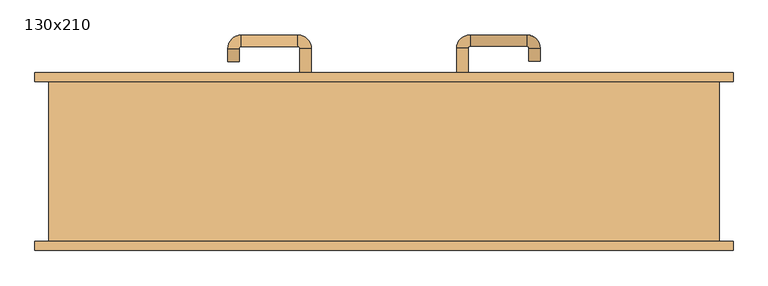
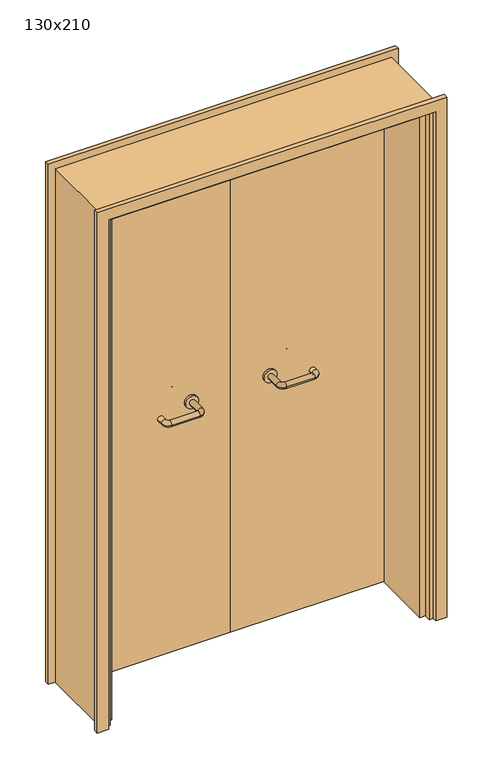
"""IFC4 building model written with IfcOpenShell, lengths in millimetres: door geometry, 130x210."""

from ifc_helpers import new_model, si_unit, point, frame, frame_2d, origin, place, context, project, spatial, polyline, circle_curve, ellipse_curve, trimmed, segment, composite_curve, outline, extrude, faceted_brep, source, transform, mapped, element, save
from ifc_brep_helpers import plane_surface, cylinder_surface, revolved_surface, advanced_brep


def door_130x210_3588024c(model_context):
    return source(origin(), model_context, "Body", "SolidModel", [
        faceted_brep([(-597.0, 108.0, 0.0), (-597.0, -130.0, 0.0), (-618.0, -130.0, 0.0), (-618.0, 108.0, 0.0), (-597.0, 108.0, 2047.0), (-597.0, -130.0, 2047.0), (-618.0, -130.0, 2068.0), (-618.0, 108.0, 2068.0), (597.0, 108.0, 0.0), (618.0, 108.0, 0.0), (618.0, -130.0, 0.0), (597.0, -130.0, 0.0), (597.0, 108.0, 2047.0), (618.0, 108.0, 2068.0), (618.0, -130.0, 2068.0), (597.0, -130.0, 2047.0)], [[[0, 1, 2, 3]], [[1, 0, 4, 5]], [[2, 1, 5, 6]], [[3, 2, 6, 7]], [[0, 3, 7, 4]], [[8, 9, 10, 11]], [[12, 13, 9, 8]], [[13, 14, 10, 9]], [[14, 15, 11, 10]], [[15, 12, 8, 11]], [[5, 4, 12, 15]], [[6, 5, 15, 14]], [[7, 6, 14, 13]], [[4, 7, 13, 12]]]),
        extrude(outline(polyline([(2127.0, 677.0), (2127.0, -677.0), (0.0, -677.0), (0.0, -633.0), (2083.0, -633.0), (2083.0, 633.0), (0.0, 633.0), (0.0, 677.0), (2127.0, 677.0)])), frame((0.0, 155.0, 0.0), z_axis=(0.0, 1.0, 0.0), x_axis=(0.0, 0.0, 1.0)), (0.0, 0.0, 1.0), 18.0),
        extrude(outline(polyline([(2127.0, -677.0), (0.0, -677.0), (0.0, -633.0), (2083.0, -633.0), (2083.0, 633.0), (0.0, 633.0), (0.0, 677.0), (2127.0, 677.0), (2127.0, -677.0)])), frame((0.0, -173.0, 0.0), z_axis=(0.0, 1.0, 0.0), x_axis=(0.0, 0.0, 1.0)), (0.0, 0.0, 1.0), 18.0),
        extrude(outline(polyline([(2100.0, -650.0), (0.0, -650.0), (0.0, -618.0), (2068.0, -618.0), (2068.0, 618.0), (0.0, 618.0), (0.0, 650.0), (2100.0, 650.0), (2100.0, -650.0)])), frame((0.0, -155.0, 0.0), z_axis=(0.0, 1.0, 0.0), x_axis=(0.0, 0.0, 1.0)), (0.0, 0.0, 1.0), 310.0),
        extrude(outline(polyline([(1.0739506, 111.0), (-615.0, 111.0), (-615.0, 155.0), (1.0739506, 155.0), (1.0739506, 111.0)])), frame((0.0, 0.0, 1.753223), z_axis=(0.0, 0.0, 1.0), x_axis=(1.0, 0.0, 0.0)), (0.0, 0.0, 1.0), 2057.246777),
        extrude(outline(polyline([(615.0, 111.0), (1.0739506, 111.0), (1.0739506, 155.0), (615.0, 155.0), (615.0, 111.0)])), frame((0.0, 0.0, 1.753223), z_axis=(0.0, 0.0, 1.0), x_axis=(1.0, 0.0, 0.0)), (0.0, 0.0, 1.0), 2066.246777),
        extrude(outline(polyline([(2100.0, -650.0), (0.0, -650.0), (0.0, -618.0), (2068.0, -618.0), (2068.0, 618.0), (0.0, 618.0), (0.0, 650.0), (2100.0, 650.0), (2100.0, -650.0)])), frame((0.0, -155.0, 0.0), z_axis=(0.0, 1.0, 0.0), x_axis=(0.0, 0.0, 1.0)), (0.0, 0.0, 1.0), 310.0),
        advanced_brep(
        [(140.99898, 101.0, 1003.0), (162.99898, 101.0, 1003.0), (140.99898, 45.6474631, 1003.0), (162.99898, 45.6474631, 1003.0), (166.99898, 41.6474631, 1003.0), (166.99898, 19.6474631, 1003.0), (276.99898, 19.6474631, 1003.0), (276.99898, 41.6474631, 1003.0), (280.99898, 45.6474631, 1003.0), (302.99898, 45.6474631, 1003.0), (302.99898, 63.0, 1003.0), (280.99898, 63.0, 1003.0)],
        [
            (0, 1, circle_curve(frame((151.99898, 101.0, 1003.0), z_axis=(0.0, 1.0, 0.0), x_axis=(1.0, 0.0, 0.0)), 11.0)),
            (1, 0, circle_curve(frame((151.99898, 101.0, 1003.0), z_axis=(0.0, 1.0, 0.0), x_axis=(1.0, 0.0, 0.0)), 11.0)),
            (0, 2),
            (2, 3, circle_curve(frame((151.99898, 45.6474631, 1003.0), z_axis=(0.0, 1.0, 0.0), x_axis=(1.0, 0.0, 0.0)), 11.0)),
            (3, 1),
            (3, 2, circle_curve(frame((151.99898, 45.6474631, 1003.0), z_axis=(0.0, 1.0, 0.0), x_axis=(1.0, 0.0, 0.0)), 11.0)),
            (4, 3, circle_curve(frame((166.99898, 45.6474631, 1003.0), z_axis=(0.0, 0.0, -1.0), x_axis=(-1.0, 0.0, 0.0)), 4.0)),
            (2, 5, circle_curve(frame((166.99898, 45.6474631, 1003.0), z_axis=(0.0, 0.0, 1.0), x_axis=(-1.0, 0.0, 0.0)), 26.0)),
            (5, 4, circle_curve(frame((166.99898, 30.6474631, 1003.0), z_axis=(-1.0, 0.0, 0.0), x_axis=(0.0, 1.0, 0.0)), 11.0)),
            (4, 5, circle_curve(frame((166.99898, 30.6474631, 1003.0), z_axis=(-1.0, 0.0, 0.0), x_axis=(0.0, 1.0, 0.0)), 11.0)),
            (5, 6),
            (6, 7, circle_curve(frame((276.99898, 30.6474631, 1003.0), z_axis=(-1.0, 0.0, 0.0), x_axis=(0.0, 1.0, 0.0)), 11.0)),
            (7, 4),
            (7, 6, circle_curve(frame((276.99898, 30.6474631, 1003.0), z_axis=(-1.0, 0.0, 0.0), x_axis=(0.0, 1.0, 0.0)), 11.0)),
            (8, 7, circle_curve(frame((276.99898, 45.6474631, 1003.0), z_axis=(0.0, 0.0, -1.0), x_axis=(0.0, -1.0, 0.0)), 4.0)),
            (6, 9, circle_curve(frame((276.99898, 45.6474631, 1003.0), z_axis=(0.0, 0.0, 1.0), x_axis=(0.0, -1.0, 0.0)), 26.0)),
            (9, 8, circle_curve(frame((291.99898, 45.6474631, 1003.0), z_axis=(0.0, -1.0, 0.0), x_axis=(-1.0, 0.0, 0.0)), 11.0)),
            (8, 9, circle_curve(frame((291.99898, 45.6474631, 1003.0), z_axis=(0.0, -1.0, 0.0), x_axis=(-1.0, 0.0, 0.0)), 11.0)),
            (10, 11, circle_curve(frame((291.99898, 63.0, 1003.0), z_axis=(0.0, 1.0, 0.0), x_axis=(-1.0, 0.0, 0.0)), 11.0)),
            (11, 10, circle_curve(frame((291.99898, 63.0, 1003.0), z_axis=(0.0, 1.0, 0.0), x_axis=(-1.0, 0.0, 0.0)), 11.0)),
            (9, 10),
            (11, 8),
        ],
        [
            plane_surface(frame((140.99898, 101.0, 1003.0), z_axis=(0.0, 1.0, 0.0), x_axis=(0.0, 0.0, -1.0))),
            cylinder_surface(frame((151.99898, 101.0, 1003.0), z_axis=(0.0, 1.0, 0.0), x_axis=(1.0, 0.0, 0.0)), 11.0),
            revolved_surface(trimmed(ellipse_curve(frame((151.99898, 45.6474631, 1003.0), z_axis=(0.0, 1.0, 0.0), x_axis=(1.0, 0.0, 0.0)), 11.0, 11.0), [point((140.99898, 45.6474631, 1003.0))], [point((162.99898, 45.6474631, 1003.0))], True, "CARTESIAN"), (166.99898, 45.6474631, 1003.0), (0.0, 0.0, 1.0)),
            revolved_surface(trimmed(ellipse_curve(frame((151.99898, 45.6474631, 1003.0), z_axis=(0.0, 1.0, 0.0), x_axis=(1.0, 0.0, 0.0)), 11.0, 11.0), [point((162.99898, 45.6474631, 1003.0))], [point((140.99898, 45.6474631, 1003.0))], True, "CARTESIAN"), (166.99898, 45.6474631, 1003.0), (0.0, 0.0, 1.0)),
            cylinder_surface(frame((166.99898, 30.6474631, 1003.0), z_axis=(-1.0, 0.0, 0.0), x_axis=(0.0, 1.0, 0.0)), 11.0),
            revolved_surface(trimmed(ellipse_curve(frame((276.99898, 30.6474631, 1003.0), z_axis=(-1.0, 0.0, 0.0), x_axis=(0.0, 1.0, 0.0)), 11.0, 11.0), [point((276.99898, 19.6474631, 1003.0))], [point((276.99898, 41.6474631, 1003.0))], True, "CARTESIAN"), (276.99898, 45.6474631, 1003.0), (0.0, 0.0, 1.0)),
            revolved_surface(trimmed(ellipse_curve(frame((276.99898, 30.6474631, 1003.0), z_axis=(-1.0, 0.0, 0.0), x_axis=(0.0, 1.0, 0.0)), 11.0, 11.0), [point((276.99898, 41.6474631, 1003.0))], [point((276.99898, 19.6474631, 1003.0))], True, "CARTESIAN"), (276.99898, 45.6474631, 1003.0), (0.0, 0.0, 1.0)),
            plane_surface(frame((280.99898, 63.0, 1003.0), z_axis=(0.0, 1.0, 0.0), x_axis=(0.0, 0.0, 1.0))),
            cylinder_surface(frame((291.99898, 45.6474631, 1003.0), z_axis=(0.0, -1.0, 0.0), x_axis=(-1.0, 0.0, 0.0)), 11.0),
        ],
        [
            (0, [[1, 2]]),
            (1, [[-1, 3, 4, 5]]),
            (1, [[-2, -5, 6, -3]]),
            (2, [[7, -4, 8, 9]]),
            (3, [[-8, -6, -7, 10]]),
            (4, [[-9, 11, 12, 13]]),
            (4, [[-10, -13, 14, -11]]),
            (5, [[15, -12, 16, 17]]),
            (6, [[-16, -14, -15, 18]]),
            (7, [[19, 20]]),
            (8, [[-17, 21, -20, 22]]),
            (8, [[-18, -22, -19, -21]]),
        ],
    ),
        extrude(outline(composite_curve([segment(trimmed(circle_curve(frame_2d((1003.0, 151.99898)), 25.0), [point((1003.0, 126.99898))], [point((1003.0, 176.99898))], False, "CARTESIAN"), True, "CONTINUOUS"), segment(trimmed(circle_curve(frame_2d((1003.0, 151.99898)), 25.0), [point((1003.0, 176.99898))], [point((1003.0, 126.99898))], False, "CARTESIAN"), True, "CONTINUOUS")], self_intersect=False)), frame((0.0, 101.0, 0.0), z_axis=(0.0, 1.0, 0.0), x_axis=(0.0, 0.0, 1.0)), (0.0, 0.0, 1.0), 10.0),
        advanced_brep(
        [(162.99898, 165.0, 1003.0), (140.99898, 165.0, 1003.0), (162.99898, 220.0, 1003.0), (140.99898, 220.0, 1003.0), (166.99898, 246.0, 1003.0), (166.99898, 224.0, 1003.0), (276.99898, 224.0, 1003.0), (276.99898, 246.0, 1003.0), (302.99898, 220.0, 1003.0), (280.99898, 220.0, 1003.0), (280.99898, 195.0, 1003.0), (302.99898, 195.0, 1003.0)],
        [
            (0, 1, circle_curve(frame((151.99898, 165.0, 1003.0), z_axis=(0.0, -1.0, 0.0), x_axis=(-1.0, 0.0, 0.0)), 11.0)),
            (1, 0, circle_curve(frame((151.99898, 165.0, 1003.0), z_axis=(0.0, -1.0, 0.0), x_axis=(-1.0, 0.0, 0.0)), 11.0)),
            (0, 2),
            (2, 3, circle_curve(frame((151.99898, 220.0, 1003.0), z_axis=(0.0, -1.0, 0.0), x_axis=(-1.0, 0.0, 0.0)), 11.0)),
            (3, 1),
            (3, 2, circle_curve(frame((151.99898, 220.0, 1003.0), z_axis=(0.0, -1.0, 0.0), x_axis=(-1.0, 0.0, 0.0)), 11.0)),
            (4, 3, circle_curve(frame((166.99898, 220.0, 1003.0), z_axis=(0.0, 0.0, 1.0), x_axis=(-1.0, 0.0, 0.0)), 26.0)),
            (2, 5, circle_curve(frame((166.99898, 220.0, 1003.0), z_axis=(0.0, 0.0, -1.0), x_axis=(-1.0, 0.0, 0.0)), 4.0)),
            (5, 4, circle_curve(frame((166.99898, 235.0, 1003.0), z_axis=(-1.0, 0.0, 0.0), x_axis=(0.0, 1.0, 0.0)), 11.0)),
            (4, 5, circle_curve(frame((166.99898, 235.0, 1003.0), z_axis=(-1.0, 0.0, 0.0), x_axis=(0.0, 1.0, 0.0)), 11.0)),
            (5, 6),
            (6, 7, circle_curve(frame((276.99898, 235.0, 1003.0), z_axis=(-1.0, 0.0, 0.0), x_axis=(0.0, 1.0, 0.0)), 11.0)),
            (7, 4),
            (7, 6, circle_curve(frame((276.99898, 235.0, 1003.0), z_axis=(-1.0, 0.0, 0.0), x_axis=(0.0, 1.0, 0.0)), 11.0)),
            (8, 7, circle_curve(frame((276.99898, 220.0, 1003.0), z_axis=(0.0, 0.0, 1.0), x_axis=(0.0, 1.0, 0.0)), 26.0)),
            (6, 9, circle_curve(frame((276.99898, 220.0, 1003.0), z_axis=(0.0, 0.0, -1.0), x_axis=(0.0, 1.0, 0.0)), 4.0)),
            (9, 8, circle_curve(frame((291.99898, 220.0, 1003.0), z_axis=(0.0, 1.0, 0.0), x_axis=(1.0, 0.0, 0.0)), 11.0)),
            (8, 9, circle_curve(frame((291.99898, 220.0, 1003.0), z_axis=(0.0, 1.0, 0.0), x_axis=(1.0, 0.0, 0.0)), 11.0)),
            (10, 11, circle_curve(frame((291.99898, 195.0, 1003.0), z_axis=(0.0, -1.0, 0.0), x_axis=(1.0, 0.0, 0.0)), 11.0)),
            (11, 10, circle_curve(frame((291.99898, 195.0, 1003.0), z_axis=(0.0, -1.0, 0.0), x_axis=(1.0, 0.0, 0.0)), 11.0)),
            (9, 10),
            (11, 8),
        ],
        [
            plane_surface(frame((140.99898, 165.0, 1003.0), z_axis=(0.0, -1.0, 0.0), x_axis=(0.0, 0.0, 1.0))),
            cylinder_surface(frame((151.99898, 165.0, 1003.0), z_axis=(0.0, -1.0, 0.0), x_axis=(-1.0, 0.0, 0.0)), 11.0),
            revolved_surface(trimmed(ellipse_curve(frame((151.99898, 220.0, 1003.0), z_axis=(0.0, -1.0, 0.0), x_axis=(-1.0, 0.0, 0.0)), 11.0, 11.0), [point((162.99898, 220.0, 1003.0))], [point((140.99898, 220.0, 1003.0))], True, "CARTESIAN"), (166.99898, 220.0, 1003.0), (0.0, 0.0, -1.0)),
            revolved_surface(trimmed(ellipse_curve(frame((151.99898, 220.0, 1003.0), z_axis=(0.0, -1.0, 0.0), x_axis=(-1.0, 0.0, 0.0)), 11.0, 11.0), [point((140.99898, 220.0, 1003.0))], [point((162.99898, 220.0, 1003.0))], True, "CARTESIAN"), (166.99898, 220.0, 1003.0), (0.0, 0.0, -1.0)),
            cylinder_surface(frame((166.99898, 235.0, 1003.0), z_axis=(-1.0, 0.0, 0.0), x_axis=(0.0, 1.0, 0.0)), 11.0),
            revolved_surface(trimmed(ellipse_curve(frame((276.99898, 235.0, 1003.0), z_axis=(-1.0, 0.0, 0.0), x_axis=(0.0, 1.0, 0.0)), 11.0, 11.0), [point((276.99898, 224.0, 1003.0))], [point((276.99898, 246.0, 1003.0))], True, "CARTESIAN"), (276.99898, 220.0, 1003.0), (0.0, 0.0, -1.0)),
            revolved_surface(trimmed(ellipse_curve(frame((276.99898, 235.0, 1003.0), z_axis=(-1.0, 0.0, 0.0), x_axis=(0.0, 1.0, 0.0)), 11.0, 11.0), [point((276.99898, 246.0, 1003.0))], [point((276.99898, 224.0, 1003.0))], True, "CARTESIAN"), (276.99898, 220.0, 1003.0), (0.0, 0.0, -1.0)),
            plane_surface(frame((280.99898, 195.0, 1003.0), z_axis=(0.0, -1.0, 0.0), x_axis=(0.0, 0.0, -1.0))),
            cylinder_surface(frame((291.99898, 220.0, 1003.0), z_axis=(0.0, 1.0, 0.0), x_axis=(1.0, 0.0, 0.0)), 11.0),
        ],
        [
            (0, [[1, 2]]),
            (1, [[-1, 3, 4, 5]]),
            (1, [[-2, -5, 6, -3]]),
            (2, [[7, -4, 8, 9]]),
            (3, [[-8, -6, -7, 10]]),
            (4, [[-9, 11, 12, 13]]),
            (4, [[-10, -13, 14, -11]]),
            (5, [[15, -12, 16, 17]]),
            (6, [[-16, -14, -15, 18]]),
            (7, [[19, 20]]),
            (8, [[-17, 21, -20, 22]]),
            (8, [[-18, -22, -19, -21]]),
        ],
    ),
        extrude(outline(composite_curve([segment(trimmed(circle_curve(frame_2d((1003.0, 151.99898)), 25.0), [point((1003.0, 176.99898))], [point((1003.0, 126.99898))], False, "CARTESIAN"), True, "CONTINUOUS"), segment(trimmed(circle_curve(frame_2d((1003.0, 151.99898)), 25.0), [point((1003.0, 126.99898))], [point((1003.0, 176.99898))], False, "CARTESIAN"), True, "CONTINUOUS")], self_intersect=False)), frame((0.0, 155.0, 0.0), z_axis=(0.0, 1.0, 0.0), x_axis=(0.0, 0.0, 1.0)), (0.0, 0.0, 1.0), 10.0),
        advanced_brep(
        [(-162.99898, 100.6886121, 1003.0), (-140.99898, 100.6886121, 1003.0), (-162.99898, 45.2779553, 1003.0), (-140.99898, 45.2779553, 1003.0), (-166.99898, 19.2779553, 1003.0), (-166.99898, 41.2779553, 1003.0), (-276.99898, 41.2779553, 1003.0), (-276.99898, 19.2779553, 1003.0), (-302.99898, 45.2779553, 1003.0), (-280.99898, 45.2779553, 1003.0), (-280.99898, 70.2779553, 1003.0), (-302.99898, 70.2779553, 1003.0)],
        [
            (0, 1, circle_curve(frame((-151.99898, 100.6886121, 1003.0), z_axis=(0.0, 1.0, 0.0), x_axis=(1.0, 0.0, 0.0)), 11.0)),
            (1, 0, circle_curve(frame((-151.99898, 100.6886121, 1003.0), z_axis=(0.0, 1.0, 0.0), x_axis=(1.0, 0.0, 0.0)), 11.0)),
            (0, 2),
            (2, 3, circle_curve(frame((-151.99898, 45.2779553, 1003.0), z_axis=(0.0, 1.0, 0.0), x_axis=(1.0, 0.0, 0.0)), 11.0)),
            (3, 1),
            (3, 2, circle_curve(frame((-151.99898, 45.2779553, 1003.0), z_axis=(0.0, 1.0, 0.0), x_axis=(1.0, 0.0, 0.0)), 11.0)),
            (4, 3, circle_curve(frame((-166.99898, 45.2779553, 1003.0), z_axis=(0.0, 0.0, 1.0), x_axis=(1.0, 0.0, 0.0)), 26.0)),
            (2, 5, circle_curve(frame((-166.99898, 45.2779553, 1003.0), z_axis=(0.0, 0.0, -1.0), x_axis=(1.0, 0.0, 0.0)), 4.0)),
            (5, 4, circle_curve(frame((-166.99898, 30.2779553, 1003.0), z_axis=(1.0, 0.0, 0.0), x_axis=(0.0, -1.0, 0.0)), 11.0)),
            (4, 5, circle_curve(frame((-166.99898, 30.2779553, 1003.0), z_axis=(1.0, 0.0, 0.0), x_axis=(0.0, -1.0, 0.0)), 11.0)),
            (5, 6),
            (6, 7, circle_curve(frame((-276.99898, 30.2779553, 1003.0), z_axis=(1.0, 0.0, 0.0), x_axis=(0.0, -1.0, 0.0)), 11.0)),
            (7, 4),
            (7, 6, circle_curve(frame((-276.99898, 30.2779553, 1003.0), z_axis=(1.0, 0.0, 0.0), x_axis=(0.0, -1.0, 0.0)), 11.0)),
            (8, 7, circle_curve(frame((-276.99898, 45.2779553, 1003.0), z_axis=(0.0, 0.0, 1.0), x_axis=(0.0, -1.0, 0.0)), 26.0)),
            (6, 9, circle_curve(frame((-276.99898, 45.2779553, 1003.0), z_axis=(0.0, 0.0, -1.0), x_axis=(0.0, -1.0, 0.0)), 4.0)),
            (9, 8, circle_curve(frame((-291.99898, 45.2779553, 1003.0), z_axis=(0.0, -1.0, 0.0), x_axis=(-1.0, 0.0, 0.0)), 11.0)),
            (8, 9, circle_curve(frame((-291.99898, 45.2779553, 1003.0), z_axis=(0.0, -1.0, 0.0), x_axis=(-1.0, 0.0, 0.0)), 11.0)),
            (10, 11, circle_curve(frame((-291.99898, 70.2779553, 1003.0), z_axis=(0.0, 1.0, 0.0), x_axis=(-1.0, 0.0, 0.0)), 11.0)),
            (11, 10, circle_curve(frame((-291.99898, 70.2779553, 1003.0), z_axis=(0.0, 1.0, 0.0), x_axis=(-1.0, 0.0, 0.0)), 11.0)),
            (9, 10),
            (11, 8),
        ],
        [
            plane_surface(frame((-162.99898, 100.6886121, 1003.0), z_axis=(0.0, 1.0, 0.0), x_axis=(0.0, 0.0, -1.0))),
            cylinder_surface(frame((-151.99898, 100.6886121, 1003.0), z_axis=(0.0, 1.0, 0.0), x_axis=(1.0, 0.0, 0.0)), 11.0),
            revolved_surface(trimmed(ellipse_curve(frame((-151.99898, 45.2779553, 1003.0), z_axis=(0.0, 1.0, 0.0), x_axis=(1.0, 0.0, 0.0)), 11.0, 11.0), [point((-162.99898, 45.2779553, 1003.0))], [point((-140.99898, 45.2779553, 1003.0))], True, "CARTESIAN"), (-166.99898, 45.2779553, 1003.0), (0.0, 0.0, -1.0)),
            revolved_surface(trimmed(ellipse_curve(frame((-151.99898, 45.2779553, 1003.0), z_axis=(0.0, 1.0, 0.0), x_axis=(1.0, 0.0, 0.0)), 11.0, 11.0), [point((-140.99898, 45.2779553, 1003.0))], [point((-162.99898, 45.2779553, 1003.0))], True, "CARTESIAN"), (-166.99898, 45.2779553, 1003.0), (0.0, 0.0, -1.0)),
            cylinder_surface(frame((-166.99898, 30.2779553, 1003.0), z_axis=(1.0, 0.0, 0.0), x_axis=(0.0, -1.0, 0.0)), 11.0),
            revolved_surface(trimmed(ellipse_curve(frame((-276.99898, 30.2779553, 1003.0), z_axis=(1.0, 0.0, 0.0), x_axis=(0.0, -1.0, 0.0)), 11.0, 11.0), [point((-276.99898, 41.2779553, 1003.0))], [point((-276.99898, 19.2779553, 1003.0))], True, "CARTESIAN"), (-276.99898, 45.2779553, 1003.0), (0.0, 0.0, -1.0)),
            revolved_surface(trimmed(ellipse_curve(frame((-276.99898, 30.2779553, 1003.0), z_axis=(1.0, 0.0, 0.0), x_axis=(0.0, -1.0, 0.0)), 11.0, 11.0), [point((-276.99898, 19.2779553, 1003.0))], [point((-276.99898, 41.2779553, 1003.0))], True, "CARTESIAN"), (-276.99898, 45.2779553, 1003.0), (0.0, 0.0, -1.0)),
            plane_surface(frame((-302.99898, 70.2779553, 1003.0), z_axis=(0.0, 1.0, 0.0), x_axis=(0.0, 0.0, 1.0))),
            cylinder_surface(frame((-291.99898, 45.2779553, 1003.0), z_axis=(0.0, -1.0, 0.0), x_axis=(-1.0, 0.0, 0.0)), 11.0),
        ],
        [
            (0, [[1, 2]]),
            (1, [[-1, 3, 4, 5]]),
            (1, [[-2, -5, 6, -3]]),
            (2, [[7, -4, 8, 9]]),
            (3, [[-8, -6, -7, 10]]),
            (4, [[-9, 11, 12, 13]]),
            (4, [[-10, -13, 14, -11]]),
            (5, [[15, -12, 16, 17]]),
            (6, [[-16, -14, -15, 18]]),
            (7, [[19, 20]]),
            (8, [[-17, 21, -20, 22]]),
            (8, [[-18, -22, -19, -21]]),
        ],
    ),
        extrude(outline(composite_curve([segment(trimmed(circle_curve(frame_2d((1003.0, -151.99898)), 25.0), [point((1003.0, -176.99898))], [point((1003.0, -126.99898))], False, "CARTESIAN"), True, "CONTINUOUS"), segment(trimmed(circle_curve(frame_2d((1003.0, -151.99898)), 25.0), [point((1003.0, -126.99898))], [point((1003.0, -176.99898))], False, "CARTESIAN"), True, "CONTINUOUS")], self_intersect=False)), frame((0.0, 100.6886121, 0.0), z_axis=(0.0, 1.0, 0.0), x_axis=(0.0, 0.0, 1.0)), (0.0, 0.0, 1.0), 10.3113879),
        advanced_brep(
        [(-140.99898, 164.5143417, 1003.0), (-162.99898, 164.5143417, 1003.0), (-140.99898, 219.6104656, 1003.0), (-162.99898, 219.6104656, 1003.0), (-166.99898, 223.6104656, 1003.0), (-166.99898, 245.6104656, 1003.0), (-276.99898, 245.6104656, 1003.0), (-276.99898, 223.6104656, 1003.0), (-280.99898, 219.6104656, 1003.0), (-302.99898, 219.6104656, 1003.0), (-302.99898, 194.6104656, 1003.0), (-280.99898, 194.6104656, 1003.0)],
        [
            (0, 1, circle_curve(frame((-151.99898, 164.5143417, 1003.0), z_axis=(0.0, -1.0, 0.0), x_axis=(-1.0, 0.0, 0.0)), 11.0)),
            (1, 0, circle_curve(frame((-151.99898, 164.5143417, 1003.0), z_axis=(0.0, -1.0, 0.0), x_axis=(-1.0, 0.0, 0.0)), 11.0)),
            (0, 2),
            (2, 3, circle_curve(frame((-151.99898, 219.6104656, 1003.0), z_axis=(0.0, -1.0, 0.0), x_axis=(-1.0, 0.0, 0.0)), 11.0)),
            (3, 1),
            (3, 2, circle_curve(frame((-151.99898, 219.6104656, 1003.0), z_axis=(0.0, -1.0, 0.0), x_axis=(-1.0, 0.0, 0.0)), 11.0)),
            (4, 3, circle_curve(frame((-166.99898, 219.6104656, 1003.0), z_axis=(0.0, 0.0, -1.0), x_axis=(1.0, 0.0, 0.0)), 4.0)),
            (2, 5, circle_curve(frame((-166.99898, 219.6104656, 1003.0), z_axis=(0.0, 0.0, 1.0), x_axis=(1.0, 0.0, 0.0)), 26.0)),
            (5, 4, circle_curve(frame((-166.99898, 234.6104656, 1003.0), z_axis=(1.0, 0.0, 0.0), x_axis=(0.0, -1.0, 0.0)), 11.0)),
            (4, 5, circle_curve(frame((-166.99898, 234.6104656, 1003.0), z_axis=(1.0, 0.0, 0.0), x_axis=(0.0, -1.0, 0.0)), 11.0)),
            (5, 6),
            (6, 7, circle_curve(frame((-276.99898, 234.6104656, 1003.0), z_axis=(1.0, 0.0, 0.0), x_axis=(0.0, -1.0, 0.0)), 11.0)),
            (7, 4),
            (7, 6, circle_curve(frame((-276.99898, 234.6104656, 1003.0), z_axis=(1.0, 0.0, 0.0), x_axis=(0.0, -1.0, 0.0)), 11.0)),
            (8, 7, circle_curve(frame((-276.99898, 219.6104656, 1003.0), z_axis=(0.0, 0.0, -1.0), x_axis=(0.0, 1.0, 0.0)), 4.0)),
            (6, 9, circle_curve(frame((-276.99898, 219.6104656, 1003.0), z_axis=(0.0, 0.0, 1.0), x_axis=(0.0, 1.0, 0.0)), 26.0)),
            (9, 8, circle_curve(frame((-291.99898, 219.6104656, 1003.0), z_axis=(0.0, 1.0, 0.0), x_axis=(1.0, 0.0, 0.0)), 11.0)),
            (8, 9, circle_curve(frame((-291.99898, 219.6104656, 1003.0), z_axis=(0.0, 1.0, 0.0), x_axis=(1.0, 0.0, 0.0)), 11.0)),
            (10, 11, circle_curve(frame((-291.99898, 194.6104656, 1003.0), z_axis=(0.0, -1.0, 0.0), x_axis=(1.0, 0.0, 0.0)), 11.0)),
            (11, 10, circle_curve(frame((-291.99898, 194.6104656, 1003.0), z_axis=(0.0, -1.0, 0.0), x_axis=(1.0, 0.0, 0.0)), 11.0)),
            (9, 10),
            (11, 8),
        ],
        [
            plane_surface(frame((-162.99898, 164.5143417, 1003.0), z_axis=(0.0, -1.0, 0.0), x_axis=(0.0, 0.0, 1.0))),
            cylinder_surface(frame((-151.99898, 164.5143417, 1003.0), z_axis=(0.0, -1.0, 0.0), x_axis=(-1.0, 0.0, 0.0)), 11.0),
            revolved_surface(trimmed(ellipse_curve(frame((-151.99898, 219.6104656, 1003.0), z_axis=(0.0, -1.0, 0.0), x_axis=(-1.0, 0.0, 0.0)), 11.0, 11.0), [point((-140.99898, 219.6104656, 1003.0))], [point((-162.99898, 219.6104656, 1003.0))], True, "CARTESIAN"), (-166.99898, 219.6104656, 1003.0), (0.0, 0.0, 1.0)),
            revolved_surface(trimmed(ellipse_curve(frame((-151.99898, 219.6104656, 1003.0), z_axis=(0.0, -1.0, 0.0), x_axis=(-1.0, 0.0, 0.0)), 11.0, 11.0), [point((-162.99898, 219.6104656, 1003.0))], [point((-140.99898, 219.6104656, 1003.0))], True, "CARTESIAN"), (-166.99898, 219.6104656, 1003.0), (0.0, 0.0, 1.0)),
            cylinder_surface(frame((-166.99898, 234.6104656, 1003.0), z_axis=(1.0, 0.0, 0.0), x_axis=(0.0, -1.0, 0.0)), 11.0),
            revolved_surface(trimmed(ellipse_curve(frame((-276.99898, 234.6104656, 1003.0), z_axis=(1.0, 0.0, 0.0), x_axis=(0.0, -1.0, 0.0)), 11.0, 11.0), [point((-276.99898, 245.6104656, 1003.0))], [point((-276.99898, 223.6104656, 1003.0))], True, "CARTESIAN"), (-276.99898, 219.6104656, 1003.0), (0.0, 0.0, 1.0)),
            revolved_surface(trimmed(ellipse_curve(frame((-276.99898, 234.6104656, 1003.0), z_axis=(1.0, 0.0, 0.0), x_axis=(0.0, -1.0, 0.0)), 11.0, 11.0), [point((-276.99898, 223.6104656, 1003.0))], [point((-276.99898, 245.6104656, 1003.0))], True, "CARTESIAN"), (-276.99898, 219.6104656, 1003.0), (0.0, 0.0, 1.0)),
            plane_surface(frame((-302.99898, 194.6104656, 1003.0), z_axis=(0.0, -1.0, 0.0), x_axis=(0.0, 0.0, -1.0))),
            cylinder_surface(frame((-291.99898, 219.6104656, 1003.0), z_axis=(0.0, 1.0, 0.0), x_axis=(1.0, 0.0, 0.0)), 11.0),
        ],
        [
            (0, [[1, 2]]),
            (1, [[-1, 3, 4, 5]]),
            (1, [[-2, -5, 6, -3]]),
            (2, [[7, -4, 8, 9]]),
            (3, [[-8, -6, -7, 10]]),
            (4, [[-9, 11, 12, 13]]),
            (4, [[-10, -13, 14, -11]]),
            (5, [[15, -12, 16, 17]]),
            (6, [[-16, -14, -15, 18]]),
            (7, [[19, 20]]),
            (8, [[-17, 21, -20, 22]]),
            (8, [[-18, -22, -19, -21]]),
        ],
    ),
        extrude(outline(composite_curve([segment(trimmed(circle_curve(frame_2d((1003.0, -151.99898)), 25.0), [point((1003.0, -126.99898))], [point((1003.0, -176.99898))], False, "CARTESIAN"), True, "CONTINUOUS"), segment(trimmed(circle_curve(frame_2d((1003.0, -151.99898)), 25.0), [point((1003.0, -176.99898))], [point((1003.0, -126.99898))], False, "CARTESIAN"), True, "CONTINUOUS")], self_intersect=False)), frame((0.0, 155.0, 0.0), z_axis=(0.0, 1.0, 0.0), x_axis=(0.0, 0.0, 1.0)), (0.0, 0.0, 1.0), 9.5143417),
    ])


if __name__ == "__main__":
    model = new_model("IFC4")
    model_context = context("Model", 3, world=origin())
    ifc_project = project(units=[si_unit("LENGTHUNIT", "METRE", prefix="MILLI")], contexts=[model_context])
    site = spatial("IfcSite", under=ifc_project)
    building = spatial("IfcBuilding", under=site)
    placement = place(None, origin())
    door_130x210_shape = door_130x210_3588024c(model_context)
    element("IfcDoor", 1, ObjectType="130x210", at=placement, inside=building, context=model_context, shape_type="MappedRepresentation", body=[
        mapped(door_130x210_shape, transform((0.0, 0.0, 0.0), x_axis=(1.0, 0.0, 0.0), y_axis=(0.0, 1.0, 0.0), z_axis=(0.0, 0.0, 1.0))),
    ])
    save(model, "model.ifc")
